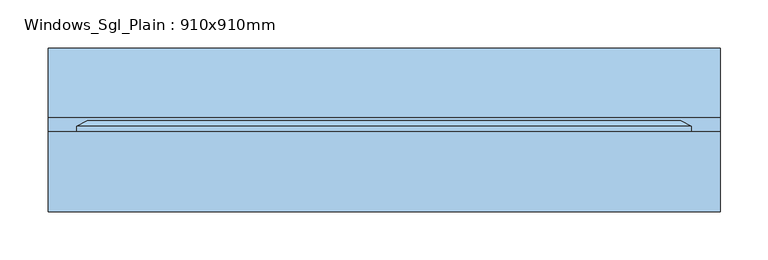
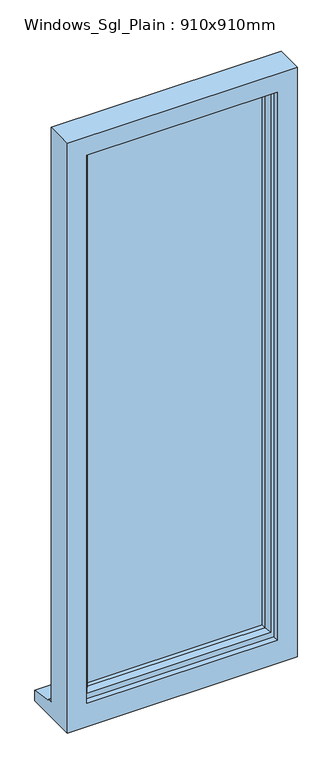
"""IFC4 building model written with IfcOpenShell, lengths in millimetres: window geometry, Windows_Sgl_Plain : 910x910mm."""

from ifc_helpers import new_model, si_unit, frame, origin, place, context, project, spatial, polyline, outline, extrude, faceted_brep, source, transform, mapped, element, save


def windows_sgl_plain_910x910mm_4440b34d(model_context):
    return source(origin(), model_context, "Body", "SolidModel", [
        faceted_brep([(-350.0, -74.5434322, 210.0), (350.0, -74.5434322, 210.0), (350.0, -74.5434322, 2110.0), (-350.0, -74.5434322, 2110.0), (-290.0, -74.5434322, 2050.0), (290.0, -74.5434322, 2050.0), (290.0, -74.5434322, 285.0), (-290.0, -74.5434322, 285.0), (-350.0, 8.4565678, 2110.0), (-350.0, 8.4565678, 261.0), (-350.0, 23.4565678, 259.68767), (-350.0, 23.4565678, 254.7449676), (-350.0, 95.9565678, 243.8088847), (-350.0, 95.9565678, 210.0), (350.0, 8.4565678, 2110.0), (350.0, 8.4565678, 261.0), (-310.0, 8.4565678, 2070.0), (-310.0, 8.4565678, 273.0), (310.0, 8.4565678, 273.0), (310.0, 8.4565678, 2070.0), (-310.0, -56.5434322, 2070.0), (-310.0, -56.5434322, 273.0), (310.0, -56.5434322, 2070.0), (310.0, -56.5434322, 273.0), (-290.0, -56.5434322, 2050.0), (-290.0, -56.5434322, 285.0), (290.0, -56.5434322, 285.0), (290.0, -56.5434322, 2050.0), (350.0, 95.9565678, 210.0), (350.0, 95.9565678, 243.8088847), (350.0, 23.4565678, 254.7449676), (350.0, 23.4565678, 259.68767)], [[[0, 1, 2, 3], [4, 5, 6, 7]], [[0, 3, 8, 9, 10, 11, 12, 13]], [[9, 8, 14, 15], [16, 17, 18, 19]], [[17, 16, 20, 21]], [[20, 22, 23, 21], [24, 25, 26, 27]], [[24, 4, 7, 25]], [[3, 2, 14, 8]], [[16, 19, 22, 20]], [[5, 4, 24, 27]], [[15, 14, 2, 1, 28, 29, 30, 31]], [[19, 18, 23, 22]], [[5, 27, 26, 6]], [[28, 1, 0, 13]], [[29, 28, 13, 12]], [[30, 29, 12, 11]], [[31, 30, 11, 10]], [[15, 31, 10, 9]], [[21, 23, 18, 17]], [[7, 6, 26, 25]]]),
        extrude(outline(polyline([(280.0, -27.5434322), (-280.0, -27.5434322), (-280.0, -3.5434322), (280.0, -3.5434322), (280.0, -27.5434322)])), frame((0.0, 0.0, 303.0), z_axis=(0.0, 0.0, 1.0), x_axis=(1.0, 0.0, 0.0)), (0.0, 0.0, 1.0), 1737.0),
        faceted_brep([(-320.0, 8.4565678, 2080.0), (-320.0, 14.2300705, 2080.0), (-320.0, 14.2300705, 263.0), (-320.0, 8.4565678, 263.0), (-310.0, -56.5434322, 2070.0), (-310.0, 8.4565678, 2070.0), (-310.0, 8.4565678, 273.0), (-310.0, -56.5434322, 273.0), (-270.0, -42.0505323, 2030.0), (-280.1480377, -56.5434322, 2040.1480377), (-280.1480377, -56.5434322, 302.8519623), (-270.0, -42.0505323, 313.0), (-270.0, -27.5434322, 2030.0), (-270.0, -27.5434322, 313.0), (-280.0, -3.5434322, 2040.0), (-280.0, -27.5434322, 2040.0), (-280.0, -27.5434322, 303.0), (-280.0, -3.5434322, 303.0), (-270.0, 14.2300705, 2030.0), (-270.0, -3.5434322, 2030.0), (-270.0, -3.5434322, 313.0), (-270.0, 14.2300705, 313.0), (-287.4457548, 20.0035732, 2047.4457548), (-287.4457548, 20.0035732, 295.5542452), (-309.2153903, 20.0035732, 2069.2153903), (-309.2153903, 20.0035732, 273.7846097), (320.0, 14.2300705, 263.0), (320.0, 8.4565678, 263.0), (310.0, 8.4565678, 273.0), (310.0, -56.5434322, 273.0), (280.1480377, -56.5434322, 302.8519623), (270.0, -42.0505323, 313.0), (270.0, -27.5434322, 313.0), (280.0, -27.5434322, 303.0), (280.0, -3.5434322, 303.0), (270.0, -3.5434322, 313.0), (270.0, 14.2300705, 313.0), (287.4457548, 20.0035732, 295.5542452), (309.2153903, 20.0035732, 273.7846097), (320.0, 14.2300705, 2080.0), (320.0, 8.4565678, 2080.0), (310.0, 8.4565678, 2070.0), (310.0, -56.5434322, 2070.0), (280.1480377, -56.5434322, 2040.1480377), (270.0, -42.0505323, 2030.0), (270.0, -27.5434322, 2030.0), (280.0, -27.5434322, 2040.0), (280.0, -3.5434322, 2040.0), (270.0, -3.5434322, 2030.0), (270.0, 14.2300705, 2030.0), (287.4457548, 20.0035732, 2047.4457548), (309.2153903, 20.0035732, 2069.2153903)], [[[0, 1, 2, 3]], [[4, 5, 6, 7]], [[8, 9, 10, 11]], [[12, 8, 11, 13]], [[14, 15, 16, 17]], [[18, 19, 20, 21]], [[22, 18, 21, 23]], [[1, 24, 25, 2]], [[3, 2, 26, 27]], [[7, 6, 28, 29]], [[11, 10, 30, 31]], [[13, 11, 31, 32]], [[17, 16, 33, 34]], [[21, 20, 35, 36]], [[23, 21, 36, 37]], [[2, 25, 38, 26]], [[27, 26, 39, 40]], [[29, 28, 41, 42]], [[31, 30, 43, 44]], [[32, 31, 44, 45]], [[34, 33, 46, 47]], [[36, 35, 48, 49]], [[37, 36, 49, 50]], [[26, 38, 51, 39]], [[40, 39, 1, 0]], [[3, 27, 40, 0], [5, 41, 28, 6]], [[42, 41, 5, 4]], [[7, 29, 42, 4], [9, 43, 30, 10]], [[44, 43, 9, 8]], [[45, 44, 8, 12]], [[15, 46, 33, 16], [13, 32, 45, 12]], [[47, 46, 15, 14]], [[17, 34, 47, 14], [19, 48, 35, 20]], [[49, 48, 19, 18]], [[50, 49, 18, 22]], [[24, 51, 38, 25], [23, 37, 50, 22]], [[39, 51, 24, 1]]]),
    ])


if __name__ == "__main__":
    model = new_model("IFC4")
    model_context = context("Model", 3, world=origin())
    ifc_project = project(units=[si_unit("LENGTHUNIT", "METRE", prefix="MILLI")], contexts=[model_context])
    site = spatial("IfcSite", under=ifc_project)
    building = spatial("IfcBuilding", under=site)
    placement = place(None, origin())
    windows_sgl_plain_910x910mm_shape = windows_sgl_plain_910x910mm_4440b34d(model_context)
    element("IfcWindow", 1, ObjectType="Windows_Sgl_Plain : 910x910mm", at=placement, inside=building, context=model_context, shape_type="MappedRepresentation", body=[
        mapped(windows_sgl_plain_910x910mm_shape, transform((0.0, 0.0, 0.0), x_axis=(1.0, 0.0, 0.0), y_axis=(0.0, 1.0, 0.0), z_axis=(0.0, 0.0, 1.0))),
    ])
    save(model, "model.ifc")
